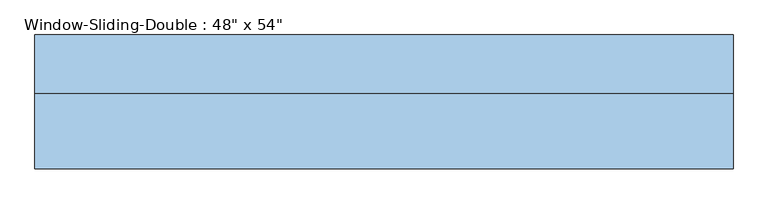
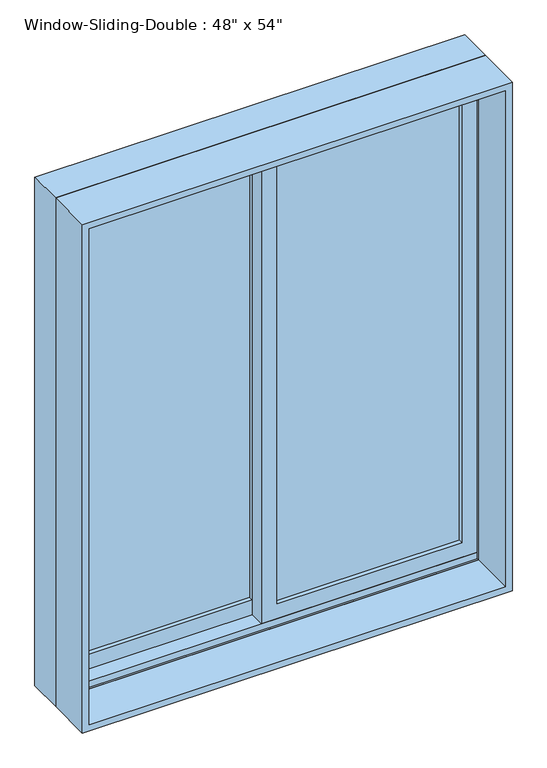
"""IFC4 building model written with IfcOpenShell, lengths in millimetres: window geometry."""

import ifcopenshell
import ifcopenshell.guid

model = None  # the IFC model being written
_history = None  # IfcOwnerHistory: only IFC2X3 demands one
_inside = {}  # id of a spatial element -> (the spatial element, [elements in it])
_under = {}  # id of a project, library or spatial element -> (it, [spatial elements below it])
_declared = {}  # id of a project -> (the project, [libraries it declares])
_typed = {}  # id of a type object -> (the type object, [elements of that type])
_made_of = {}  # id of a material, layer set ... -> (it, [elements and type objects made of it])


def new_model(schema):
    """Start an empty IFC model of exactly this schema.

    Asked for "IFC4X3", IfcOpenShell would pick the latest addendum, in which some entities
    have other attributes; the version numbers below select the first issue.
    IFC2X3 requires an IfcOwnerHistory on every rooted entity: one is made here for all.
    """
    global model, _history
    if schema == "IFC4X3":
        model = ifcopenshell.file(schema_version=(4, 3, 0, 0))
    else:
        model = ifcopenshell.file(schema=schema)
    _inside.clear()
    _under.clear()
    _declared.clear()
    _typed.clear()
    _made_of.clear()
    _history = None
    if model.schema == "IFC2X3":
        org = make("IfcOrganization", Name="unknown")
        user = make(
            "IfcPersonAndOrganization",
            ThePerson=make("IfcPerson", FamilyName="unknown"),
            TheOrganization=org,
        )
        app = make(
            "IfcApplication",
            ApplicationDeveloper=org,
            Version="unknown",
            ApplicationFullName="unknown",
            ApplicationIdentifier="unknown",
        )
        _history = make(
            "IfcOwnerHistory",
            OwningUser=user,
            OwningApplication=app,
            ChangeAction="ADDED",
            CreationDate=0,
        )
    return model


def make(cls, **values):
    """One entity of the class cls with the attributes given. An attribute that is None is left unset."""
    return model.create_entity(
        cls, **{name: value for name, value in values.items() if value is not None}
    )


def rooted(cls, **values):
    """An entity with a GlobalId (a new one), such as an element, a storey or a relation."""
    return make(cls, GlobalId=ifcopenshell.guid.new(), OwnerHistory=_history, **values)


def si_unit(unit_type, name, prefix=None):
    """IfcSIUnit, for example si_unit("LENGTHUNIT", "METRE", prefix="MILLI")."""
    return make("IfcSIUnit", UnitType=unit_type, Prefix=prefix, Name=name)


def assignment(units):
    """IfcUnitAssignment: the units of a project."""
    return None if units is None else make("IfcUnitAssignment", Units=units)


def point(xyz):
    """IfcCartesianPoint."""
    return None if xyz is None else make("IfcCartesianPoint", Coordinates=xyz)


def direction(xyz):
    """IfcDirection."""
    return None if xyz is None else make("IfcDirection", DirectionRatios=xyz)


def frame(location, z_axis=None, x_axis=None):
    """IfcAxis2Placement3D, a coordinate frame: its origin and axes. An axis left out is left unset."""
    return make(
        "IfcAxis2Placement3D",
        Location=point(location),
        Axis=direction(z_axis),
        RefDirection=direction(x_axis),
    )


def origin():
    """The frame at (0, 0, 0) with its axes left unset."""
    return frame((0.0, 0.0, 0.0))


def place(relative_to, where):
    """IfcLocalPlacement: puts the frame where relative to a parent placement (None: the world)."""
    return make(
        "IfcLocalPlacement", PlacementRelTo=relative_to, RelativePlacement=where
    )


def context(
    kind, dimensions, precision=None, world=None, true_north=None, identifier=None
):
    """IfcGeometricRepresentationContext, for example the 3D "Model" context."""
    return make(
        "IfcGeometricRepresentationContext",
        ContextIdentifier=identifier,
        ContextType=kind,
        CoordinateSpaceDimension=dimensions,
        Precision=precision,
        WorldCoordinateSystem=world,
        TrueNorth=true_north,
    )


def project(units=None, contexts=None):
    """IfcProject with its units and contexts."""
    return rooted(
        "IfcProject",
        Name="project",
        RepresentationContexts=contexts,
        UnitsInContext=assignment(units),
    )


def spatial(cls, under=None, at=None, **own):
    """A site, building, storey or space (cls), placed at a placement, below another one or the project."""
    s = rooted(cls, ObjectPlacement=at, **own)
    if under is not None:
        _under.setdefault(under.id(), (under, []))[1].append(s)
    return s


def polyline(points):
    """IfcPolyline through the points."""
    return make("IfcPolyline", Points=[point(p) for p in points])


def outline(outer, holes=None, kind="AREA"):
    """IfcArbitraryClosedProfileDef: a profile drawn as a closed curve; with holes, ...WithVoids."""
    if holes is None:
        return make("IfcArbitraryClosedProfileDef", ProfileType=kind, OuterCurve=outer)
    return make(
        "IfcArbitraryProfileDefWithVoids",
        ProfileType=kind,
        OuterCurve=outer,
        InnerCurves=holes,
    )


def extrude(swept, where, along, depth):
    """IfcExtrudedAreaSolid: the profile swept, set in the frame where, extruded along a direction by depth."""
    return make(
        "IfcExtrudedAreaSolid",
        SweptArea=swept,
        Position=where,
        ExtrudedDirection=direction(along),
        Depth=depth,
    )


def faces_of(points, faces, orient=None, outer=None):
    """IfcFace entities. A face is a list of loops; a loop is a list of indices into points, from 0.

    orient and outer hold one flag for each loop. By default every Orientation is true, the
    first loop of a face is its IfcFaceOuterBound and the others are IfcFaceBound.
    """
    made = []
    for i, loops in enumerate(faces):
        bounds = []
        for j, loop in enumerate(loops):
            is_outer = j == 0 if outer is None else outer[i][j]
            bounds.append(
                make(
                    "IfcFaceOuterBound" if is_outer else "IfcFaceBound",
                    Bound=make("IfcPolyLoop", Polygon=[points[k] for k in loop]),
                    Orientation=True if orient is None else orient[i][j],
                )
            )
        made.append(make("IfcFace", Bounds=bounds))
    return made


def faceted_brep(points, faces, orient=None, outer=None, voids=None):
    """IfcFacetedBrep: a solid bounded by flat faces; with voids (closed shells), ...WithVoids."""
    shared = [point(p) for p in points]
    hull = make("IfcClosedShell", CfsFaces=faces_of(shared, faces, orient, outer))
    if voids is None:
        return make("IfcFacetedBrep", Outer=hull)
    return make(
        "IfcFacetedBrepWithVoids",
        Outer=hull,
        Voids=[
            make(cls, CfsFaces=faces_of(shared, fs, o, b)) for cls, fs, o, b in voids
        ],
    )


def shape(context_of_items, identifier, shape_type, items):
    """IfcShapeRepresentation: the items that make up one representation, for example the "Body"."""
    return make(
        "IfcShapeRepresentation",
        ContextOfItems=context_of_items,
        RepresentationIdentifier=identifier,
        RepresentationType=shape_type,
        Items=items,
    )


def source(mapping_origin, context_of_items, identifier, shape_type, items):
    """IfcRepresentationMap: a shape defined once, which mapped items show again and again."""
    return make(
        "IfcRepresentationMap",
        MappingOrigin=mapping_origin,
        MappedRepresentation=shape(context_of_items, identifier, shape_type, items),
    )


def transform(
    local_origin,
    x_axis=None,
    y_axis=None,
    z_axis=None,
    scale=None,
    scale2=None,
    scale3=None,
    uniform=True,
):
    """IfcCartesianTransformationOperator3D, or its non-uniform kind. x_axis, y_axis, z_axis: its Axis1, 2, 3."""
    if uniform:
        return make(
            "IfcCartesianTransformationOperator3D",
            Axis1=direction(x_axis),
            Axis2=direction(y_axis),
            LocalOrigin=point(local_origin),
            Scale=scale,
            Axis3=direction(z_axis),
        )
    return make(
        "IfcCartesianTransformationOperator3DnonUniform",
        Axis1=direction(x_axis),
        Axis2=direction(y_axis),
        LocalOrigin=point(local_origin),
        Scale=scale,
        Axis3=direction(z_axis),
        Scale2=scale2,
        Scale3=scale3,
    )


def mapped(mapping_source, mapping_target):
    """IfcMappedItem: shows the shape of a source again, moved by a transform."""
    return make(
        "IfcMappedItem", MappingSource=mapping_source, MappingTarget=mapping_target
    )


def made_of(thing, what):
    """Note that an element or type object is made of a material, layer set ...; save() writes the relation."""
    if what is not None:
        _made_of.setdefault(what.id(), (what, []))[1].append(thing)
    return thing


def element(
    cls,
    number,
    at=None,
    inside=None,
    cuts=None,
    type_object=None,
    material=None,
    context=None,
    identifier="Body",
    shape_type=None,
    held_by="IfcProductDefinitionShape",
    body=None,
    shapes=None,
    **own,
):
    """One element of the class cls, such as IfcWall. Its Tag is "e" and its number.

    at: its placement. inside: the storey or other place that contains it. cuts: it is an
    opening in that element (IfcRelVoidsElement). A single representation is given by context,
    identifier, shape_type and body (its items); several are given by shapes. held_by: the class
    of the entity that holds the representations. save() writes the other relations.
    """
    e = rooted(cls, Tag="e%d" % number, ObjectPlacement=at, **own)
    if body is not None:
        shapes = [shape(context, identifier, shape_type, body)]
    if shapes is not None:
        e.Representation = make(held_by, Representations=shapes)
    if inside is not None:
        _inside.setdefault(inside.id(), (inside, []))[1].append(e)
    if cuts is not None:
        rooted(
            "IfcRelVoidsElement", RelatingBuildingElement=cuts, RelatedOpeningElement=e
        )
    if type_object is not None:
        _typed.setdefault(type_object.id(), (type_object, []))[1].append(e)
    return made_of(e, material)


def aggregate(whole, parts):
    """IfcRelAggregates: a whole, such as a stair, and the parts it consists of."""
    return rooted("IfcRelAggregates", RelatingObject=whole, RelatedObjects=parts)


def save(model, path):
    """Write the relations noted so far, then the file.

    IfcRelAggregates (storeys below a building ...), IfcRelContainedInSpatialStructure (elements
    in a storey), IfcRelDefinesByType, IfcRelAssociatesMaterial and IfcRelDeclares: one each for
    every whole, place, type object, material and project.
    """
    for whole, parts in _under.values():
        aggregate(whole, parts)
    for where, things in _inside.values():
        rooted(
            "IfcRelContainedInSpatialStructure",
            RelatedElements=things,
            RelatingStructure=where,
        )
    for kind, things in _typed.values():
        rooted("IfcRelDefinesByType", RelatedObjects=things, RelatingType=kind)
    for what, things in _made_of.values():
        rooted("IfcRelAssociatesMaterial", RelatedObjects=things, RelatingMaterial=what)
    for by, libraries in _declared.values():
        rooted("IfcRelDeclares", RelatingContext=by, RelatedDefinitions=libraries)
    model.write(path)


def window_5948a14f(model_context):
    return source(origin(), model_context, "Body", "SolidModel", [
        faceted_brep([(-609.6, 20.79625, 914.4), (-609.6, 122.39625, 914.4), (609.6, 122.39625, 914.4), (609.6, 20.79625, 914.4), (-568.6778905, 122.39625, 2397.4778905), (-568.6778905, 116.04625, 2397.4778905), (-568.6778905, 116.04625, 933.45), (-568.6778905, 122.39625, 933.45), (568.6778905, 116.04625, 2397.4778905), (568.6778905, 116.04625, 933.45), (590.55, 116.04625, 933.45), (590.55, 116.04625, 2419.35), (-590.55, 116.04625, 2419.35), (-590.55, 116.04625, 933.45), (-590.55, 20.79625, 2419.35), (-590.55, 20.79625, 933.45), (-590.55, 27.14625, 933.45), (-590.55, 27.14625, 952.5), (-590.55, 71.59625, 952.5), (-590.55, 71.59625, 933.45), (609.6, 20.79625, 2438.4), (-609.6, 20.79625, 2438.4), (590.55, 20.79625, 2419.35), (590.55, 20.79625, 933.45), (-609.6, 122.39625, 2438.4), (609.6, 122.39625, 2438.4), (568.6778905, 122.39625, 933.45), (568.6778905, 122.39625, 2397.4778905), (590.55, 71.59625, 933.45), (590.55, 71.59625, 952.5), (590.55, 27.14625, 952.5), (590.55, 27.14625, 933.45)], [[[0, 1, 2, 3]], [[4, 5, 6, 7]], [[5, 8, 9, 10, 11, 12, 13, 6]], [[12, 14, 15, 16, 17, 18, 19, 13]], [[0, 3, 20, 21], [22, 23, 15, 14]], [[24, 1, 0, 21]], [[2, 1, 24, 25], [4, 7, 26, 27]], [[5, 4, 27, 8]], [[12, 11, 22, 14]], [[21, 20, 25, 24]], [[8, 27, 26, 9]], [[22, 11, 10, 28, 29, 30, 31, 23]], [[20, 3, 2, 25]], [[26, 7, 6, 13, 19, 28, 10, 9]], [[28, 19, 18, 29]], [[29, 18, 17, 30]], [[30, 17, 16, 31]], [[15, 23, 31, 16]]]),
        extrude(outline(polyline([(2438.4, -609.6), (914.4, -609.6), (914.4, 609.6), (2438.4, 609.6), (2438.4, -609.6)]), holes=[polyline([(2419.35, 590.55), (933.45, 590.55), (933.45, -590.55), (2419.35, -590.55), (2419.35, 590.55)])]), frame((0.0, -110.96625, 0.0), z_axis=(0.0, 1.0, 0.0), x_axis=(0.0, 0.0, 1.0)), (0.0, 0.0, 1.0), 131.7625),
        extrude(outline(polyline([(546.1, 58.89625), (546.1, 52.54625), (22.225, 52.54625), (22.225, 58.89625), (546.1, 58.89625)])), frame((0.0, 0.0, 996.95), z_axis=(0.0, 0.0, 1.0), x_axis=(1.0, 0.0, 0.0)), (0.0, 0.0, 1.0), 1377.95),
        extrude(outline(polyline([(546.1, 46.19625), (546.1, 39.84625), (22.225, 39.84625), (22.225, 46.19625), (546.1, 46.19625)])), frame((0.0, 0.0, 996.95), z_axis=(0.0, 0.0, 1.0), x_axis=(1.0, 0.0, 0.0)), (0.0, 0.0, 1.0), 1377.95),
        extrude(outline(polyline([(-22.225, 103.34625), (-22.225, 96.99625), (-546.1, 96.99625), (-546.1, 103.34625), (-22.225, 103.34625)])), frame((0.0, 0.0, 996.95), z_axis=(0.0, 0.0, 1.0), x_axis=(1.0, 0.0, 0.0)), (0.0, 0.0, 1.0), 1377.95),
        extrude(outline(polyline([(-22.225, 90.64625), (-22.225, 84.29625), (-546.1, 84.29625), (-546.1, 90.64625), (-22.225, 90.64625)])), frame((0.0, 0.0, 996.95), z_axis=(0.0, 0.0, 1.0), x_axis=(1.0, 0.0, 0.0)), (0.0, 0.0, 1.0), 1377.95),
        extrude(outline(polyline([(933.45, -590.55), (933.45, 22.225), (2419.35, 22.225), (2419.35, -590.55), (933.45, -590.55)]), holes=[polyline([(2374.9, -22.225), (996.95, -22.225), (996.95, -546.1), (2374.9, -546.1), (2374.9, -22.225)])]), frame((0.0, 71.59625, 0.0), z_axis=(0.0, 1.0, 0.0), x_axis=(0.0, 0.0, 1.0)), (0.0, 0.0, 1.0), 44.45),
        extrude(outline(polyline([(952.5, 590.55), (2419.35, 590.55), (2419.35, -22.225), (952.5, -22.225), (952.5, 590.55)]), holes=[polyline([(996.95, 22.225), (2374.9, 22.225), (2374.9, 546.1), (996.95, 546.1), (996.95, 22.225)])]), frame((0.0, 27.14625, 0.0), z_axis=(0.0, 1.0, 0.0), x_axis=(0.0, 0.0, 1.0)), (0.0, 0.0, 1.0), 44.45),
    ])


if __name__ == "__main__":
    model = new_model("IFC4")
    model_context = context("Model", 3, world=origin())
    ifc_project = project(units=[si_unit("LENGTHUNIT", "METRE", prefix="MILLI")], contexts=[model_context])
    site = spatial("IfcSite", under=ifc_project)
    building = spatial("IfcBuilding", under=site)
    placement = place(None, origin())
    window_shape = window_5948a14f(model_context)
    element("IfcWindow", 1, ObjectType="Window-Sliding-Double : 48\" x 54\"", at=placement, inside=building, context=model_context, shape_type="MappedRepresentation", body=[
        mapped(window_shape, transform((0.0, 0.0, 0.0), x_axis=(1.0, 0.0, 0.0), y_axis=(0.0, 1.0, 0.0), z_axis=(0.0, 0.0, 1.0))),
    ])
    save(model, "model.ifc")
